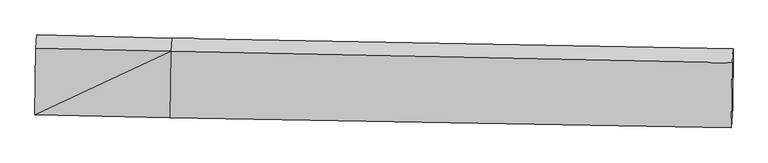
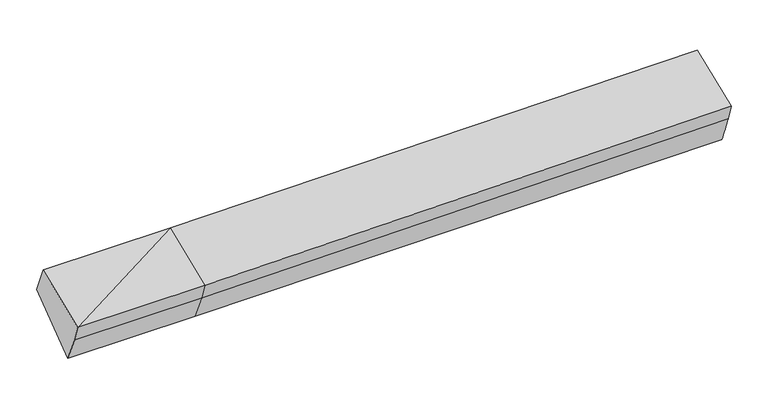
"""IFC4 building model written with IfcOpenShell, lengths in millimetres: proxy geometry."""

from ifc_helpers import new_model, si_unit, frame, origin, place, context, project, spatial, source, transform, mapped, element, save
from ifc_brep_helpers import plane_surface, spline_surface, advanced_brep


def generic_models_7af68e0d(model_context):
    return source(origin(), model_context, "Body", "AdvancedBrep", [
        advanced_brep(
        [(-2791.9567486, -1884.7867171, 1983.0988164), (-2787.0035188, -1820.2518058, 1801.1415105), (-1434.9455203, -1851.8296273, 1826.7474186), (-1439.8987501, -1916.3645385, 2008.7047245), (-2781.1325307, -1219.5666159, 2231.9176112), (-1429.0745322, -1251.1444374, 2257.5235193), (-2772.2609764, -1085.5285077, 1928.7756761), (-1420.2029779, -1117.1063291, 1954.3815842), (-2777.9039372, -1675.8619971, 1498.7251137), (-1425.8459387, -1707.4398185, 1524.3310218), (4204.9774445, -1224.9196903, 2069.271643), (4195.5929376, -1365.6409822, 2391.2569306), (4184.9973312, -2016.8113876, 2147.6932813), (4189.9502395, -1952.2806657, 1965.7477873), (4199.3344836, -1815.2531797, 1639.2210806)],
        [
            (0, 1),
            (1, 2),
            (2, 3),
            (3, 0),
            (4, 0),
            (0, 5),
            (5, 4),
            (6, 4),
            (5, 7),
            (7, 6),
            (8, 6),
            (7, 9),
            (9, 8),
            (1, 8),
            (9, 2),
            (10, 11),
            (11, 12),
            (12, 13),
            (13, 14),
            (14, 10),
            (3, 5),
            (5, 11),
            (10, 7),
            (3, 12),
            (2, 13),
            (9, 14),
        ],
        [
            plane_surface(frame((-2789.4801337, -1852.5192615, 1892.1201635), z_axis=(-0.01566913305580643, -0.942227499597624, -0.3346069593886074), x_axis=(0.025647625126453237, 0.3341591809360012, -0.9421676289926086))),
            plane_surface(frame((-2786.5446397, -1552.1766665, 2107.5082138), z_axis=(-0.025905717672397546, -0.3498474547753413, 0.9364484247298905), x_axis=(-0.015238641580714241, -0.9365157647306454, -0.3502941709674157))),
            plane_surface(frame((-2776.6967536, -1152.5475618, 2080.3466436), z_axis=(0.013690740301108395, 0.9143503637930582, 0.4046924460148841), x_axis=(-0.026756046706401103, -0.4042504563180007, 0.9142569018231873))),
            plane_surface(frame((-2775.0824568, -1380.6952524, 1713.7503949), z_axis=(0.02904534293783618, 0.588383877022045, -0.8080598872077062), x_axis=(0.007725960067921789, 0.8082446612643458, 0.5887961252239283))),
            plane_surface(frame((-2782.453728, -1748.0569015, 1649.9333121), z_axis=(-0.012905831590706825, -0.9021913638225423, -0.43114287951324615), x_axis=(0.027143358603898663, 0.4307037987362437, -0.9020850712864443))),
            plane_surface(frame((4194.9704873, -1674.9811811, 2042.6381446), z_axis=(0.9995482367523102, -0.02334482379865107, 0.0189299130256131), x_axis=(-0.026697068982140755, -0.4003242903096657, 0.9159845681537573))),
            plane_surface(frame((-2782.0515424, -1537.1991287, 1888.7317456), z_axis=(-0.9995482367523104, 0.023344823798650452, -0.018929913025611707), x_axis=(-0.025647625126451835, -0.3341591809360012, 0.9421676289926086))),
            plane_surface(frame((-2791.9567486, -1884.7867171, 1983.0988164), z_axis=(-0.02590571767239792, -0.3498474547753405, 0.9364484247298908), x_axis=(-0.015238641580715006, -0.9365157647306456, -0.350294170967415))),
            spline_surface(1, 1, [[(-1420.2029779, -1117.1063291, 1954.3815842), (4204.9774445, -1224.9196903, 2069.271643)], [(-1429.0745322, -1251.1444374, 2257.5235193), (4195.5929376, -1365.6409822, 2391.2569306)]], [2, 2], [2, 2], [0.0, 1.0], [0.0, 1.0]),
            plane_surface(frame((-1434.4866412, -1583.7544879, 2133.1141219), z_axis=(-0.029383365197394033, -0.349764111707987, 0.9363768920743397), x_axis=(-0.015238641580714531, -0.936515764730648, -0.35029417096740867))),
            plane_surface(frame((-1437.4221352, -1884.0970829, 1917.7260716), z_axis=(-0.008563962320783396, -0.9423696316791249, -0.33446395297299053), x_axis=(0.02564762512645218, 0.33415918093600105, -0.9421676289926088))),
            spline_surface(1, 1, [[(-1434.9455203, -1851.8296273, 1826.7474186), (4189.9502395, -1952.2806657, 1965.7477873)], [(-1425.8459387, -1707.4398185, 1524.3310218), (4199.3344836, -1815.2531797, 1639.2210806)]], [2, 2], [2, 2], [0.0, 1.0], [0.0, 1.0]),
            plane_surface(frame((-1423.0244583, -1412.2730738, 1739.356303), z_axis=(0.02778213036718583, 0.5884129094322986, -0.808083164807731), x_axis=(0.007725960067921196, 0.8082446612643376, 0.5887961252239396))),
        ],
        [
            (0, [[1, 2, 3, 4]]),
            (1, [[5, 6, 7]]),
            (2, [[8, -7, 9, 10]]),
            (3, [[11, -10, 12, 13]]),
            (4, [[14, -13, 15, -2]]),
            (5, [[16, 17, 18, 19, 20]]),
            (6, [[-1, -5, -8, -11, -14]]),
            (7, [[21, -6, -4]]),
            (8, [[-9, 22, -16, 23]]),
            (9, [[-21, 24, -17, -22]]),
            (10, [[-3, 25, -18, -24]]),
            (11, [[-15, 26, -19, -25]]),
            (12, [[-12, -23, -20, -26]]),
        ],
    ),
    ])


if __name__ == "__main__":
    model = new_model("IFC4")
    model_context = context("Model", 3, world=origin())
    ifc_project = project(units=[si_unit("LENGTHUNIT", "METRE", prefix="MILLI")], contexts=[model_context])
    site = spatial("IfcSite", under=ifc_project)
    building = spatial("IfcBuilding", under=site)
    placement = place(None, origin())
    generic_models_shape = generic_models_7af68e0d(model_context)
    element("IfcBuildingElementProxy", 1, Name="Generic Models", at=placement, inside=building, context=model_context, shape_type="MappedRepresentation", body=[
        mapped(generic_models_shape, transform((0.0, 0.0, 0.0), x_axis=(1.0, 0.0, 0.0), y_axis=(0.0, 1.0, 0.0), z_axis=(0.0, 0.0, 1.0))),
    ])
    save(model, "model.ifc")
